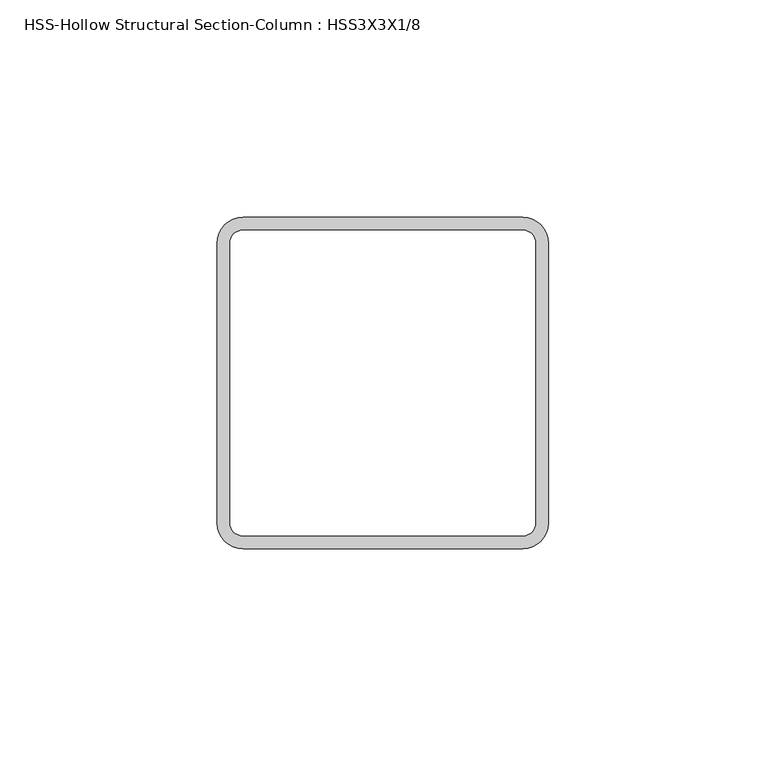
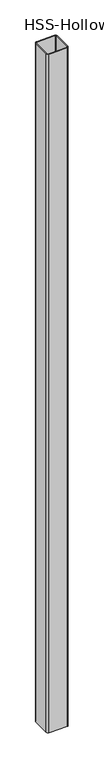
"""IFC4 building model written with IfcOpenShell, lengths in millimetres: column geometry, HSS-Hollow Structural Section-Column : HSS3X3X1/8."""

from ifc_helpers import new_model, si_unit, point, frame, frame_2d, origin, place, context, project, spatial, polyline, circle_curve, trimmed, segment, composite_curve, outline, extrude, source, transform, mapped, element, save


def hss_hollow_structural_section_column_hss3x3x1_8_d038edc8(model_context):
    return source(origin(), model_context, "Body", "SweptSolid", [
        extrude(outline(composite_curve([segment(trimmed(circle_curve(frame_2d((32.2072, 32.2072)), 5.8928), [point((32.2072, 38.1))], [point((38.1, 32.2072))], False, "CARTESIAN"), True, "CONTINUOUS"), segment(polyline([(38.1, 32.2072), (38.1, -32.2072)]), True, "CONTINUOUS"), segment(trimmed(circle_curve(frame_2d((32.2072, -32.2072)), 5.8928), [point((38.1, -32.2072))], [point((32.2072, -38.1))], False, "CARTESIAN"), True, "CONTINUOUS"), segment(polyline([(32.2072, -38.1), (-32.2072, -38.1)]), True, "CONTINUOUS"), segment(trimmed(circle_curve(frame_2d((-32.2072, -32.2072)), 5.8928), [point((-32.2072, -38.1))], [point((-38.1, -32.2072))], False, "CARTESIAN"), True, "CONTINUOUS"), segment(polyline([(-38.1, -32.2072), (-38.1, 32.2072)]), True, "CONTINUOUS"), segment(trimmed(circle_curve(frame_2d((-32.2072, 32.2072)), 5.8928), [point((-38.1, 32.2072))], [point((-32.2072, 38.1))], False, "CARTESIAN"), True, "CONTINUOUS"), segment(polyline([(-32.2072, 38.1), (32.2072, 38.1)]), True, "CONTINUOUS")], self_intersect=False), holes=[composite_curve([segment(polyline([(32.2072, 35.1536), (-32.2072, 35.1536)]), True, "CONTINUOUS"), segment(trimmed(circle_curve(frame_2d((-32.2072, 32.2072)), 2.9464), [point((-32.2072, 35.1536))], [point((-35.1536, 32.2072))], True, "CARTESIAN"), True, "CONTINUOUS"), segment(polyline([(-35.1536, 32.2072), (-35.1536, -32.2072)]), True, "CONTINUOUS"), segment(trimmed(circle_curve(frame_2d((-32.2072, -32.2072)), 2.9464), [point((-35.1536, -32.2072))], [point((-32.2072, -35.1536))], True, "CARTESIAN"), True, "CONTINUOUS"), segment(polyline([(-32.2072, -35.1536), (32.2072, -35.1536)]), True, "CONTINUOUS"), segment(trimmed(circle_curve(frame_2d((32.2072, -32.2072)), 2.9464), [point((32.2072, -35.1536))], [point((35.1536, -32.2072))], True, "CARTESIAN"), True, "CONTINUOUS"), segment(polyline([(35.1536, -32.2072), (35.1536, 32.2072)]), True, "CONTINUOUS"), segment(trimmed(circle_curve(frame_2d((32.2072, 32.2072)), 2.9464), [point((35.1536, 32.2072))], [point((32.2072, 35.1536))], True, "CARTESIAN"), True, "CONTINUOUS")], self_intersect=False)]), frame((0.0, 0.0, 203.2), z_axis=(0.0, 0.0, 1.0), x_axis=(1.0, 0.0, 0.0)), (0.0, 0.0, 1.0), 2514.6),
    ])


if __name__ == "__main__":
    model = new_model("IFC4")
    model_context = context("Model", 3, world=origin())
    ifc_project = project(units=[si_unit("LENGTHUNIT", "METRE", prefix="MILLI")], contexts=[model_context])
    site = spatial("IfcSite", under=ifc_project)
    building = spatial("IfcBuilding", under=site)
    placement = place(None, origin())
    hss_hollow_structural_section_column_hss3x3x1_8_shape = hss_hollow_structural_section_column_hss3x3x1_8_d038edc8(model_context)
    element("IfcColumn", 1, ObjectType="HSS-Hollow Structural Section-Column : HSS3X3X1/8", at=placement, inside=building, context=model_context, shape_type="MappedRepresentation", body=[
        mapped(hss_hollow_structural_section_column_hss3x3x1_8_shape, transform((0.0, 0.0, 0.0), x_axis=(1.0, 0.0, 0.0), y_axis=(0.0, 1.0, 0.0), z_axis=(0.0, 0.0, 1.0))),
    ])
    save(model, "model.ifc")
